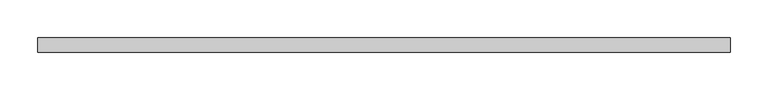
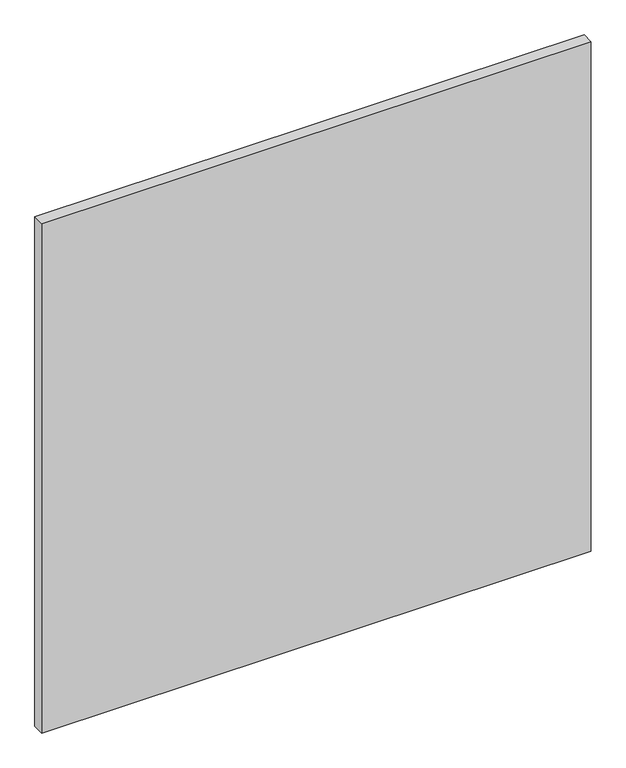
"""IFC4 building model written with IfcOpenShell, lengths in millimetres: proxy geometry."""

from ifc_helpers import new_model, si_unit, frame, origin, place, context, project, spatial, polyline, outline, extrude, source, transform, mapped, element, save


def specialty_equipment_67ed005a(model_context):
    return source(origin(), model_context, "Body", "SweptSolid", [
        extrude(outline(polyline([(455.3204, 0.0), (455.3204, -19.05), (-455.3204, -19.05), (-455.3204, 0.0), (455.3204, 0.0)])), frame((0.0, 0.0, 3.175), z_axis=(0.0, 0.0, 1.0), x_axis=(1.0, 0.0, 0.0)), (0.0, 0.0, 1.0), 892.175),
    ])


if __name__ == "__main__":
    model = new_model("IFC4")
    model_context = context("Model", 3, world=origin())
    ifc_project = project(units=[si_unit("LENGTHUNIT", "METRE", prefix="MILLI")], contexts=[model_context])
    site = spatial("IfcSite", under=ifc_project)
    building = spatial("IfcBuilding", under=site)
    placement = place(None, origin())
    specialty_equipment_shape = specialty_equipment_67ed005a(model_context)
    element("IfcBuildingElementProxy", 1, Name="Specialty Equipment", at=placement, inside=building, context=model_context, shape_type="MappedRepresentation", body=[
        mapped(specialty_equipment_shape, transform((0.0, 0.0, 0.0), x_axis=(1.0, 0.0, 0.0), y_axis=(0.0, 1.0, 0.0), z_axis=(0.0, 0.0, 1.0))),
    ])
    save(model, "model.ifc")
